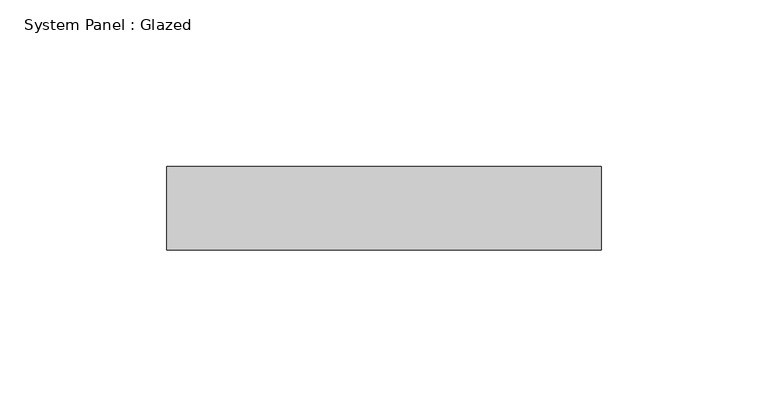
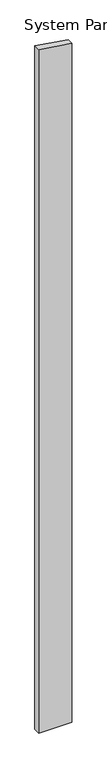
"""IFC4 building model written with IfcOpenShell, lengths in millimetres: plate geometry, System Panel : Glazed."""

from ifc_helpers import new_model, si_unit, frame, origin, place, context, project, spatial, polyline, outline, extrude, source, transform, mapped, element, save


def system_panel_glazed_21b3b0c4(model_context):
    return source(origin(), model_context, "Body", "SweptSolid", [
        extrude(outline(polyline([(0.0, -65.0), (0.0, 65.0), (2808.5992931, 65.0), (2827.8373458, -65.0), (0.0, -65.0)])), frame((0.0, 24.5, 0.0), z_axis=(0.0, 1.0, 0.0), x_axis=(0.0, 0.0, 1.0)), (0.0, 0.0, 1.0), 25.0),
    ])


if __name__ == "__main__":
    model = new_model("IFC4")
    model_context = context("Model", 3, world=origin())
    ifc_project = project(units=[si_unit("LENGTHUNIT", "METRE", prefix="MILLI")], contexts=[model_context])
    site = spatial("IfcSite", under=ifc_project)
    building = spatial("IfcBuilding", under=site)
    placement = place(None, origin())
    system_panel_glazed_shape = system_panel_glazed_21b3b0c4(model_context)
    element("IfcPlate", 1, ObjectType="System Panel : Glazed", at=placement, inside=building, context=model_context, shape_type="MappedRepresentation", body=[
        mapped(system_panel_glazed_shape, transform((0.0, 0.0, 0.0), x_axis=(1.0, 0.0, 0.0), y_axis=(0.0, 1.0, 0.0), z_axis=(0.0, 0.0, 1.0))),
    ])
    save(model, "model.ifc")
